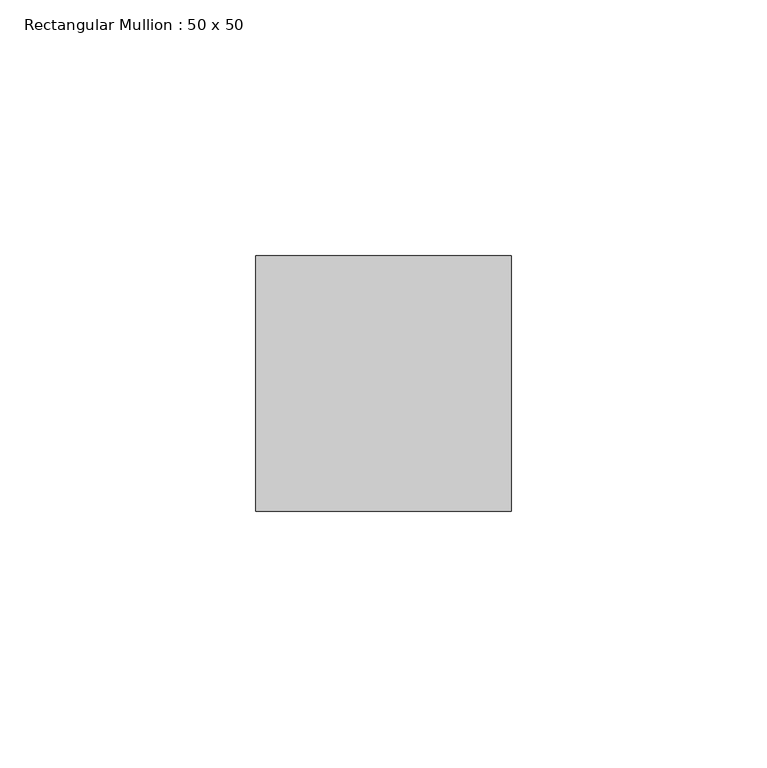
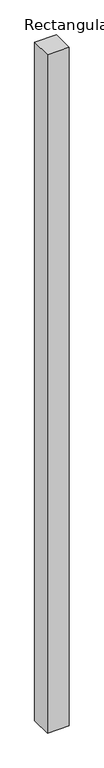
"""IFC4 building model written with IfcOpenShell, lengths in millimetres: member geometry, Rectangular Mullion : 50 x 50."""

from ifc_helpers import new_model, si_unit, frame, origin, place, context, project, spatial, polyline, outline, extrude, source, transform, mapped, element, save


def rectangular_mullion_50_x_50_1602674f(model_context):
    return source(origin(), model_context, "Body", "SweptSolid", [
        extrude(outline(polyline([(25.0, 25.0), (25.0, -25.0), (-25.0, -25.0), (-25.0, 25.0), (25.0, 25.0)])), frame((0.0, 0.0, -1636.7440556), z_axis=(0.0, 0.0, 1.0), x_axis=(1.0, 0.0, 0.0)), (0.0, 0.0, 1.0), 1636.7440556),
    ])


if __name__ == "__main__":
    model = new_model("IFC4")
    model_context = context("Model", 3, world=origin())
    ifc_project = project(units=[si_unit("LENGTHUNIT", "METRE", prefix="MILLI")], contexts=[model_context])
    site = spatial("IfcSite", under=ifc_project)
    building = spatial("IfcBuilding", under=site)
    placement = place(None, origin())
    rectangular_mullion_50_x_50_shape = rectangular_mullion_50_x_50_1602674f(model_context)
    element("IfcMember", 1, ObjectType="Rectangular Mullion : 50 x 50", at=placement, inside=building, context=model_context, shape_type="MappedRepresentation", body=[
        mapped(rectangular_mullion_50_x_50_shape, transform((0.0, 0.0, 0.0), x_axis=(1.0, 0.0, 0.0), y_axis=(0.0, 1.0, 0.0), z_axis=(0.0, 0.0, 1.0))),
    ])
    save(model, "model.ifc")
